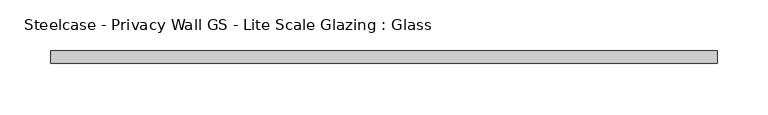
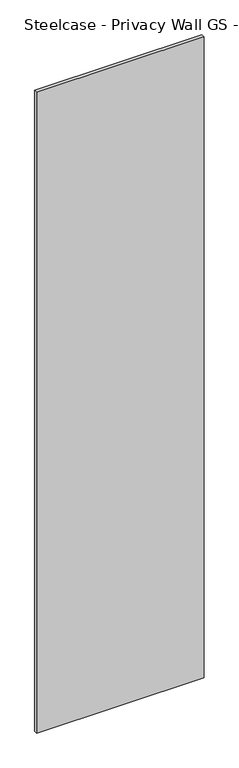
"""IFC4 building model written with IfcOpenShell, lengths in millimetres: plate geometry, Steelcase - Privacy Wall GS - Lite Scale Glazing : Glass."""

from ifc_helpers import new_model, si_unit, origin, origin_with_axes, place, context, project, spatial, polyline, outline, extrude, source, transform, mapped, element, save


def steelcase_privacy_wall_gs_lite_scale_glazing_glass_cddcd0ec(model_context):
    return source(origin(), model_context, "Body", "SweptSolid", [
        extrude(outline(polyline([(-329.523725, -6.349956), (-329.523725, 6.3502015), (329.523725, 6.3502015), (329.523725, -6.349956), (-329.523725, -6.349956)])), origin_with_axes(), (0.0, 0.0, 1.0), 2665.984),
    ])


if __name__ == "__main__":
    model = new_model("IFC4")
    model_context = context("Model", 3, world=origin())
    ifc_project = project(units=[si_unit("LENGTHUNIT", "METRE", prefix="MILLI")], contexts=[model_context])
    site = spatial("IfcSite", under=ifc_project)
    building = spatial("IfcBuilding", under=site)
    placement = place(None, origin())
    steelcase_privacy_wall_gs_lite_scale_glazing_glass_shape = steelcase_privacy_wall_gs_lite_scale_glazing_glass_cddcd0ec(model_context)
    element("IfcPlate", 1, ObjectType="Steelcase - Privacy Wall GS - Lite Scale Glazing : Glass", at=placement, inside=building, context=model_context, shape_type="MappedRepresentation", body=[
        mapped(steelcase_privacy_wall_gs_lite_scale_glazing_glass_shape, transform((0.0, 0.0, 0.0), x_axis=(1.0, 0.0, 0.0), y_axis=(0.0, 1.0, 0.0), z_axis=(0.0, 0.0, 1.0))),
    ])
    save(model, "model.ifc")
